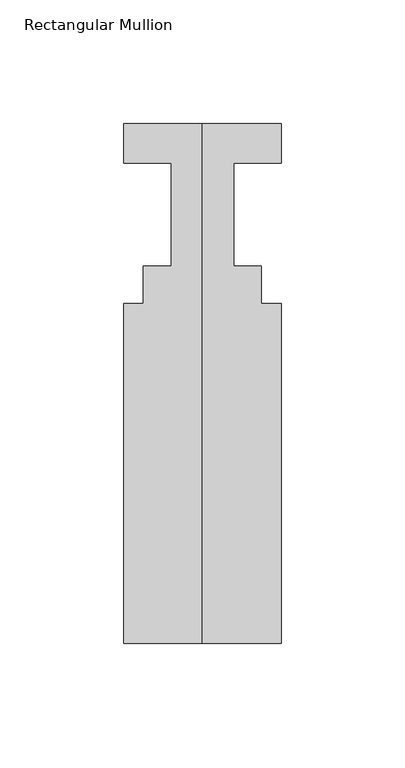
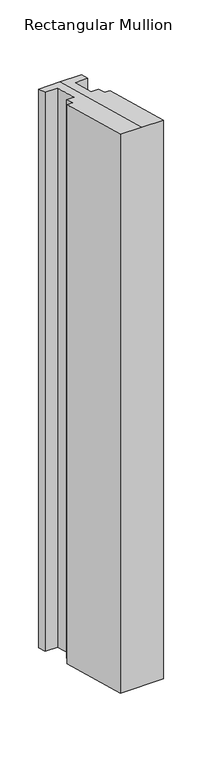
"""IFC4 building model written with IfcOpenShell, lengths in millimetres: member geometry, Rectangular Mullion."""

from ifc_helpers import new_model, si_unit, origin, place, context, project, spatial, faceted_brep, source, transform, mapped, element, save


def rectangular_mullion_8d928968(model_context):
    return source(origin(), model_context, "Body", "Brep", [
        faceted_brep([(31.75, 20.7367187, -5.556387), (31.75, 4.8617187, -1.3026936), (31.75, 4.8617187, -877.2261796), (31.75, 20.7367187, -881.479873), (-31.75, 20.7367187, -5.556387), (0.0, 20.7367187, -5.556387), (-31.75, 20.7367187, -881.479873), (-31.75, 4.8617187, -1.3026936), (-31.75, 4.8617187, -877.2261796), (-12.7, 4.8617187, -1.3026936), (-12.7, 4.8617187, -877.2261796), (-12.7, -36.7942813, 9.8589979), (-12.7, -36.7942813, -866.0644881), (-23.8252, -36.7942813, 9.8589979), (-23.8252, -36.7942813, -866.0644881), (-23.8252, -51.8564813, 13.8949023), (-23.8252, -51.8564813, -862.0285837), (-31.75, -51.8564813, 13.8949023), (-31.75, -51.8564813, -862.0285837), (-31.75, -189.1942813, 50.6944549), (-31.75, -189.1942813, -825.2290311), (31.75, -189.1942813, 50.6944549), (0.0, -189.1942813, 50.6944549), (31.75, -189.1942813, -825.2290311), (31.75, -51.8564813, 13.8949023), (31.75, -51.8564813, -862.0285837), (23.8252, -51.8564813, 13.8949023), (23.8252, -51.8564813, -862.0285837), (23.8252, -36.7942813, 9.8589979), (23.8252, -36.7942813, -866.0644881), (12.7, -36.7942813, 9.8589979), (12.7, -36.7942813, -866.0644881), (12.7, 4.8617187, -1.3026936), (12.7, 4.8617187, -877.2261796)], [[[0, 1, 2, 3]], [[4, 5, 0, 3, 6]], [[7, 4, 6, 8]], [[9, 7, 8, 10]], [[11, 9, 10, 12]], [[13, 11, 12, 14]], [[15, 13, 14, 16]], [[17, 15, 16, 18]], [[19, 17, 18, 20]], [[21, 22, 19, 20, 23]], [[24, 21, 23, 25]], [[26, 24, 25, 27]], [[28, 26, 27, 29]], [[30, 28, 29, 31]], [[32, 30, 31, 33]], [[1, 32, 33, 2]], [[1, 0, 5, 22, 21, 24, 26, 28, 30, 32]], [[5, 4, 7, 9, 11, 13, 15, 17, 19, 22]], [[2, 33, 31, 29, 27, 25, 23, 20, 18, 16, 14, 12, 10, 8, 6, 3]]]),
    ])


if __name__ == "__main__":
    model = new_model("IFC4")
    model_context = context("Model", 3, world=origin())
    ifc_project = project(units=[si_unit("LENGTHUNIT", "METRE", prefix="MILLI")], contexts=[model_context])
    site = spatial("IfcSite", under=ifc_project)
    building = spatial("IfcBuilding", under=site)
    placement = place(None, origin())
    rectangular_mullion_shape = rectangular_mullion_8d928968(model_context)
    element("IfcMember", 1, ObjectType="Rectangular Mullion", at=placement, inside=building, context=model_context, shape_type="MappedRepresentation", body=[
        mapped(rectangular_mullion_shape, transform((0.0, 0.0, 0.0), x_axis=(1.0, 0.0, 0.0), y_axis=(0.0, 1.0, 0.0), z_axis=(0.0, 0.0, 1.0))),
    ])
    save(model, "model.ifc")
